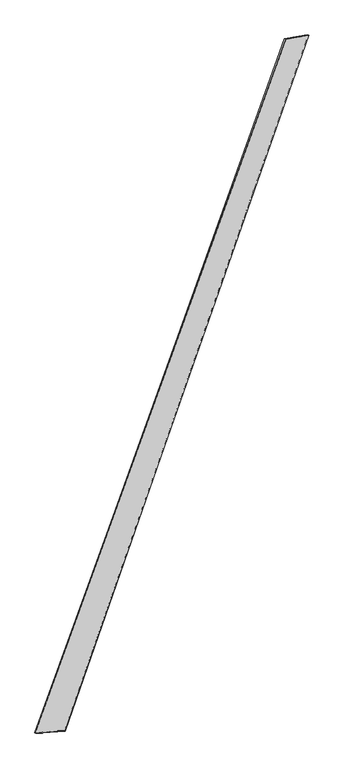
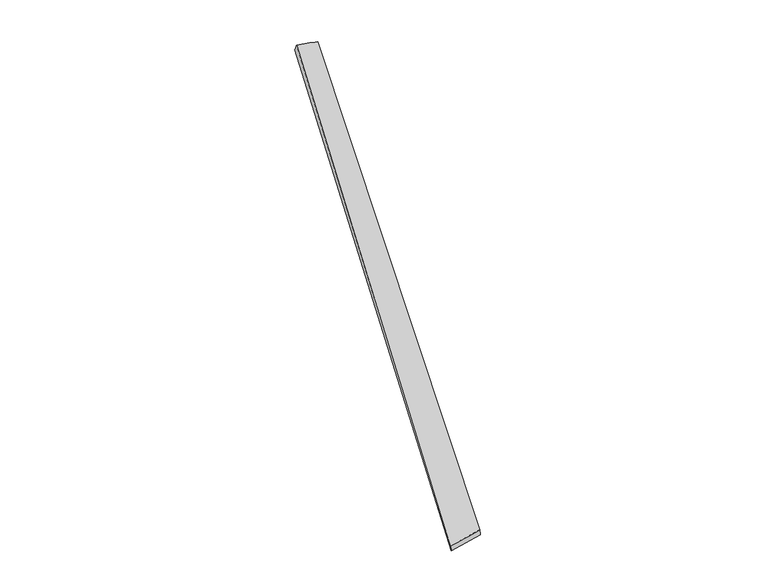
"""IFC4 building model written with IfcOpenShell, lengths in millimetres: proxy geometry."""

from ifc_helpers import new_model, si_unit, origin, place, context, project, spatial, source, transform, mapped, element, save
from ifc_brep_helpers import spline_surface, advanced_brep


def generic_models_0878819e(model_context):
    return source(origin(), model_context, "Body", "AdvancedBrep", [
        advanced_brep(
        [(-771.2170064, -1953.7497497, -15.1926301), (-776.8154008, -1951.9859862, 14.227552), (768.9847737, 2312.5161126, 48.8157321), (760.3404025, 2315.8540264, 20.282713), (-594.7530652, -1939.7293115, 44.7102913), (909.7856337, 2336.6573476, 8.3389444), (-590.1457305, -1941.5783501, 15.1239173), (901.0223344, 2339.4740733, -20.2140002)],
        [
            (0, 1),
            (1, 2),
            (2, 3),
            (3, 0),
            (1, 4),
            (4, 5),
            (5, 2),
            (4, 6),
            (6, 7),
            (7, 5),
            (6, 0),
            (3, 7),
        ],
        [
            spline_surface(1, 1, [[(-771.2170064, -1953.7497497, -15.1926301), (760.3404025, 2315.8540264, 20.282713)], [(-776.8154008, -1951.9859862, 14.227552), (768.9847737, 2312.5161126, 48.8157321)]], [2, 2], [2, 2], [0.0, 1.0], [0.0, 1.0]),
            spline_surface(1, 1, [[(-776.8154008, -1951.9859862, 14.227552), (768.9847737, 2312.5161126, 48.8157321)], [(-594.7530652, -1939.7293115, 44.7102913), (909.7856337, 2336.6573476, 8.3389444)]], [2, 2], [2, 2], [0.0, 1.0], [0.0, 1.0]),
            spline_surface(1, 1, [[(-594.7530652, -1939.7293115, 44.7102913), (909.7856337, 2336.6573476, 8.3389444)], [(-590.1457305, -1941.5783501, 15.1239173), (901.0223344, 2339.4740733, -20.2140002)]], [2, 2], [2, 2], [0.0, 1.0], [0.0, 1.0]),
            spline_surface(1, 1, [[(-590.1457305, -1941.5783501, 15.1239173), (901.0223344, 2339.4740733, -20.2140002)], [(-771.2170064, -1953.7497497, -15.1926301), (760.3404025, 2315.8540264, 20.282713)]], [2, 2], [2, 2], [0.0, 1.0], [0.0, 1.0]),
            spline_surface(1, 1, [[(768.9847737, 2312.5161126, 48.8157321), (760.3404025, 2315.8540264, 20.282713)], [(909.7856337, 2336.6573476, 8.3389444), (901.0223344, 2339.4740733, -20.2140002)]], [2, 2], [2, 2], [0.0, 1.0], [0.0, 1.0]),
            spline_surface(1, 1, [[(-590.1457305, -1941.5783501, 15.1239173), (-771.2170064, -1953.7497497, -15.1926301)], [(-594.7530652, -1939.7293115, 44.7102913), (-776.8154008, -1951.9859862, 14.227552)]], [2, 2], [2, 2], [0.0, 1.0], [0.0, 1.0]),
        ],
        [
            (0, [[1, 2, 3, 4]]),
            (1, [[5, 6, 7, -2]]),
            (2, [[8, 9, 10, -6]]),
            (3, [[11, -4, 12, -9]]),
            (4, [[-3, -7, -10, -12]]),
            (5, [[-11, -8, -5, -1]]),
        ],
    ),
    ])


if __name__ == "__main__":
    model = new_model("IFC4")
    model_context = context("Model", 3, world=origin())
    ifc_project = project(units=[si_unit("LENGTHUNIT", "METRE", prefix="MILLI")], contexts=[model_context])
    site = spatial("IfcSite", under=ifc_project)
    building = spatial("IfcBuilding", under=site)
    placement = place(None, origin())
    generic_models_shape = generic_models_0878819e(model_context)
    element("IfcBuildingElementProxy", 1, Name="Generic Models", at=placement, inside=building, context=model_context, shape_type="MappedRepresentation", body=[
        mapped(generic_models_shape, transform((0.0, 0.0, 0.0), x_axis=(1.0, 0.0, 0.0), y_axis=(0.0, 1.0, 0.0), z_axis=(0.0, 0.0, 1.0))),
    ])
    save(model, "model.ifc")
